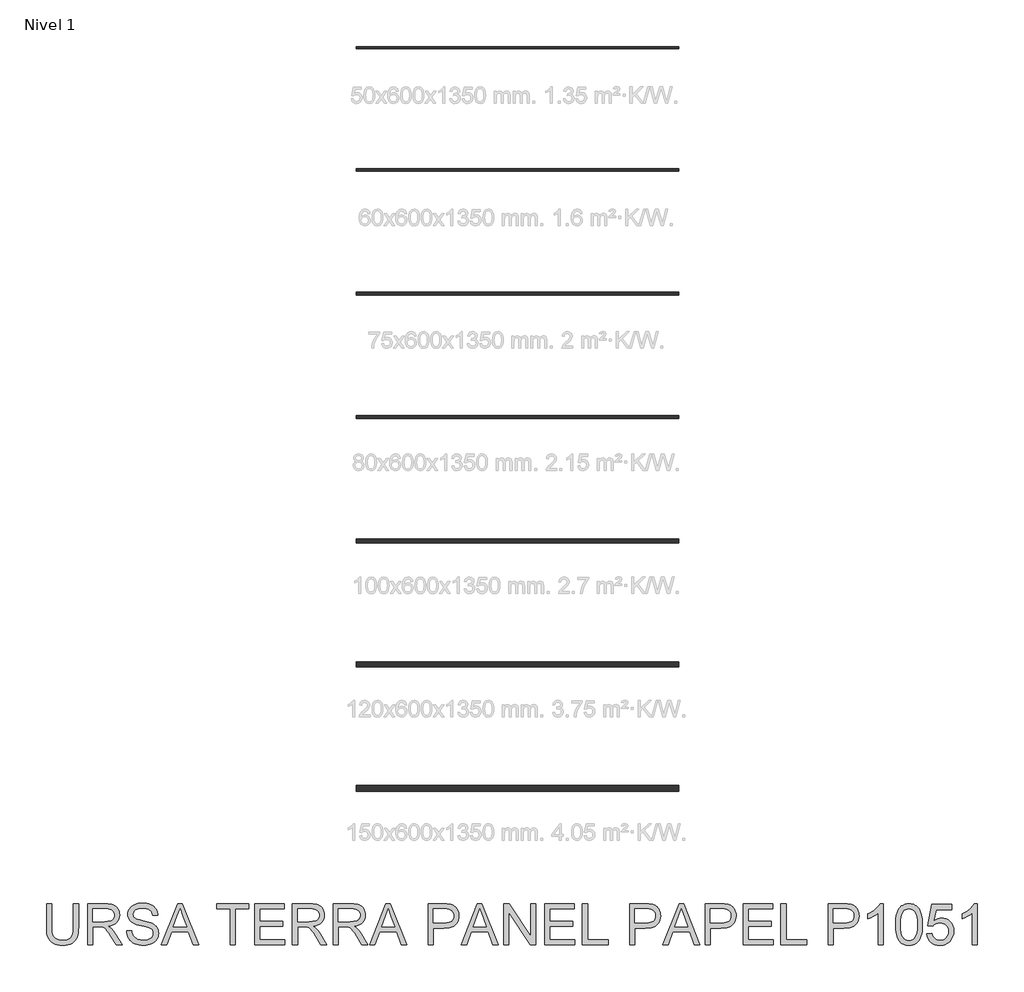
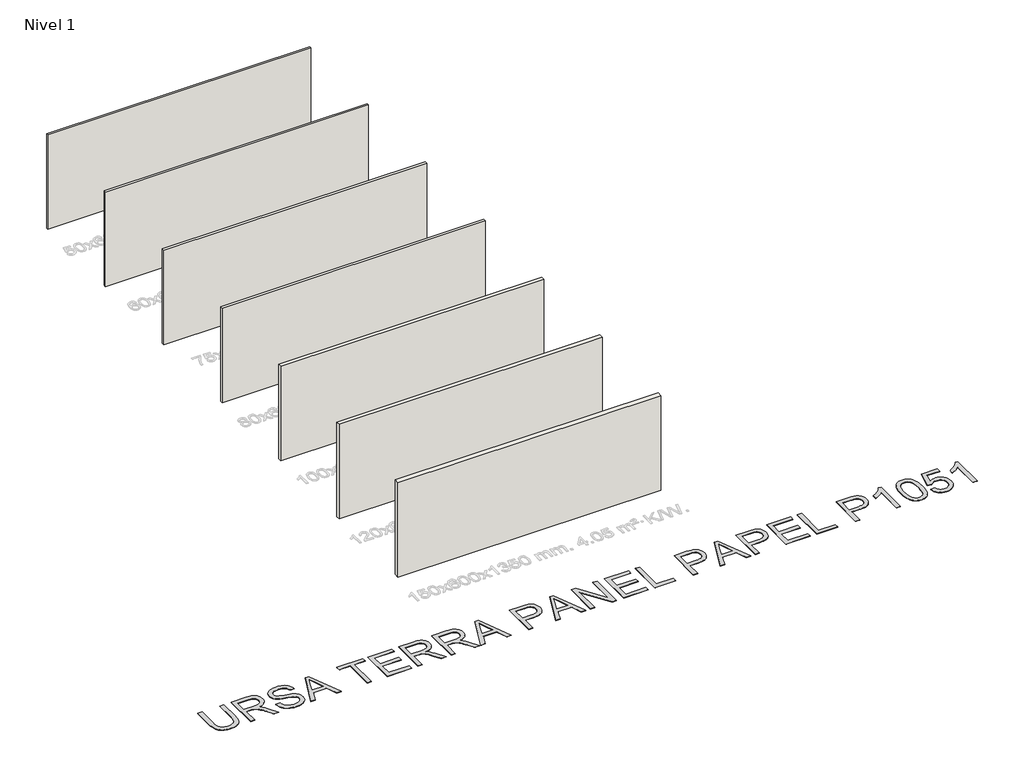
# One storey, part 1 of 8: 7 walls, 1 proxy.
"""IFC4 building model written with IfcOpenShell, lengths in millimetres."""

from ifc_helpers import new_model, si_unit, origin, origin_with_axes, place, context, project, spatial, polyline, outline, extrude, element, save

model = new_model("IFC4")

# Units and contexts
model_context = context("Model", 3, world=origin())
ifc_project = project(units=[si_unit("LENGTHUNIT", "METRE", prefix="MILLI")], contexts=[model_context])

# Site, building, storey
site = spatial("IfcSite", under=ifc_project)
building = spatial("IfcBuilding", under=site)
storey = spatial("IfcBuildingStorey", under=building, Name="Nivel 1", Elevation=0.0)

# Proxy
placement = place(None, origin())
element("IfcBuildingElementProxy", 1, Name="Texto de modelo 2", ObjectType="Texto de modelo 2", at=placement, inside=storey, context=model_context, shape_type="SweptSolid", body=[
    extrude(outline(polyline([(-7169.5130459, -17027.1799365), (-7043.9426582, -17027.1799365), (-7043.9426582, -17606.7167062), (-7046.0733081, -17678.4766879), (-7052.4652577, -17742.4345056), (-7063.1185072, -17798.5901593), (-7078.0330564, -17846.943649), (-7098.4964924, -17889.3267206), (-7125.7964021, -17927.5711196), (-7159.9327856, -17961.6768463), (-7200.9056428, -17991.6439005), (-7248.760959, -18016.0544037), (-7303.5447194, -18033.4904774), (-7365.2569241, -18043.9521217), (-7433.8975731, -18047.4393364), (-7500.844432, -18044.40431), (-7561.3993412, -18035.2992306), (-7615.5623008, -18020.1240983), (-7663.3333107, -17998.878913), (-7704.7200352, -17971.8779074), (-7739.7301384, -17939.435314), (-7768.3636203, -17901.5511327), (-7790.6204811, -17858.2253636), (-7807.3054624, -17807.9711502), (-7819.2233062, -17749.3016362), (-7826.3740125, -17682.2168215), (-7828.7575812, -17606.7167062), (-7828.7575812, -17027.1799365), (-7703.1871935, -17027.1799365), (-7703.1871935, -17602.3021222), (-7701.6390235, -17663.0103157), (-7696.9945133, -17715.1499243), (-7689.253663, -17758.7209481), (-7678.4164725, -17793.7233871), (-7663.8084916, -17822.68643), (-7644.75527, -17848.1392655), (-7621.2568075, -17870.0818937), (-7593.3131043, -17888.5143145), (-7561.4606549, -17903.106967), (-7526.2359539, -17913.5302902), (-7487.6390012, -17919.7842841), (-7445.6697969, -17921.8689487), (-7376.4619966, -17917.7456047), (-7317.9534309, -17905.3755726), (-7270.1441, -17884.7588525), (-7250.2516475, -17871.3579844), (-7233.0340037, -17855.8954443), (-7218.1462792, -17837.5013445), (-7205.2435846, -17815.3057975), (-7185.3932853, -17759.5103615), (-7173.4831057, -17688.5091365), (-7169.5130459, -17602.3021222), (-7169.5130459, -17027.1799365)])), origin_with_axes(), (0.0, 0.0, 1.0), 10.0),
    extrude(outline(polyline([(-6824.1944797, -18031.743038), (-6824.1944797, -17027.1799365), (-6391.3199987, -17027.1799365), (-6329.1862626, -17028.8737265), (-6274.9773178, -17033.9550965), (-6228.6931642, -17042.4240466), (-6190.333802, -17054.2805768), (-6157.6689465, -17070.4367277), (-6128.4683132, -17091.8045403), (-6102.7319019, -17118.3840144), (-6080.4597128, -17150.1751502), (-6062.4871445, -17185.4688291), (-6049.6495957, -17222.5559327), (-6041.9470664, -17261.4364611), (-6039.3795567, -17302.1104142), (-6043.6331923, -17353.705864), (-6056.394099, -17401.0706709), (-6077.6622768, -17444.2048348), (-6107.4377258, -17483.1083558), (-6146.1036563, -17516.5396321), (-6194.0432788, -17543.257062), (-6251.2565933, -17563.2606455), (-6317.7435997, -17576.5503826), (-6276.3568752, -17603.5897092), (-6246.3744926, -17630.2611539), (-6194.932327, -17691.2682514), (-6144.5938073, -17759.5103615), (-5977.0848722, -18031.743038), (-6123.0113969, -18031.743038), (-6253.7321325, -17823.5218287), (-6306.0326895, -17744.0593177), (-6348.155178, -17685.6887078), (-6383.2572517, -17645.4975998), (-6414.4965644, -17620.5735947), (-6444.0804082, -17605.9502854), (-6474.216075, -17596.661265), (-6547.05671, -17592.246681), (-6698.624092, -17592.246681), (-6698.624092, -18031.743038), (-6824.1944797, -18031.743038)]), holes=[polyline([(-6698.624092, -17466.6762934), (-6417.5622477, -17466.6762934), (-6336.8428066, -17462.2310526), (-6274.2108969, -17448.8953303), (-6249.0263087, -17438.6712765), (-6227.0606879, -17425.7800782), (-6208.3140346, -17410.2217355), (-6192.7863487, -17391.9962483), (-6180.6079218, -17372.0003291), (-6171.9090454, -17351.13069), (-6166.6897196, -17329.3873313), (-6164.9499444, -17306.7702528), (-6168.2685465, -17274.6572203), (-6178.224353, -17245.5179006), (-6194.8173639, -17219.3522937), (-6218.047579, -17196.1603996), (-6248.4514931, -17177.1684916), (-6286.5656006, -17163.602843), (-6332.3899016, -17155.4634539), (-6385.9243961, -17152.7503241), (-6698.624092, -17152.7503241), (-6698.624092, -17466.6762934)])]), origin_with_axes(), (0.0, 0.0, 1.0), 10.0),
    extrude(outline(polyline([(-5866.7202736, -17686.4244718), (-5741.1498859, -17686.4244718), (-5735.4017298, -17722.9750809), (-5726.7411744, -17756.1074531), (-5715.16822, -17785.8215884), (-5700.6828665, -17812.1174868), (-5682.5493498, -17835.5239788), (-5660.031906, -17856.5698946), (-5633.1305351, -17875.2552343), (-5601.8452371, -17891.5799978), (-5567.3256432, -17904.8314138), (-5530.7213847, -17914.296711), (-5492.0324615, -17919.9758893), (-5451.2588737, -17921.8689487), (-5381.299981, -17916.136121), (-5349.5854873, -17908.9700863), (-5320.0476288, -17898.9376377), (-5293.4145052, -17886.398993), (-5270.4142163, -17871.71437), (-5251.0467621, -17854.8837688), (-5235.3121426, -17835.9071892), (-5223.1337157, -17815.6047016), (-5214.4348393, -17794.7963762), (-5209.2155135, -17773.4822131), (-5207.4757383, -17751.6622123), (-5212.6873999, -17709.6316943), (-5228.3223846, -17673.3033473), (-5241.474166, -17657.1855174), (-5260.0828636, -17642.3092892), (-5284.1484774, -17628.6746628), (-5313.6710075, -17616.2816381), (-5379.9817372, -17596.5692945), (-5496.5083591, -17568.3343514), (-5616.5298601, -17536.6045293), (-5660.3308101, -17521.3144339), (-5693.3252266, -17506.4075488), (-5726.8561376, -17486.4039654), (-5755.8345089, -17464.1624331), (-5780.2603405, -17439.682952), (-5800.1336325, -17412.9655221), (-5815.5310268, -17384.2860549), (-5826.5291656, -17353.9204618), (-5833.1280489, -17321.868743), (-5835.3276767, -17288.1308984), (-5832.6068828, -17250.7372264), (-5824.444501, -17214.5851562), (-5810.8405314, -17179.6746877), (-5791.7949739, -17146.0058209), (-5767.5224265, -17114.9504491), (-5738.2374868, -17087.8804657), (-5703.940155, -17064.7958705), (-5664.6304309, -17045.6966635), (-5621.6342227, -17030.7284649), (-5576.2774384, -17020.0368944), (-5528.560078, -17013.6219521), (-5478.4821414, -17011.483638), (-5423.8516651, -17013.7215868), (-5372.5321268, -17020.4354332), (-5324.5235264, -17031.6251772), (-5279.825864, -17047.2908189), (-5239.266874, -17067.2944023), (-5203.674291, -17091.4979719), (-5173.0481149, -17119.9015277), (-5147.3883457, -17152.5050695), (-5126.8942529, -17188.3582356), (-5111.7651058, -17226.5106642), (-5102.0009046, -17266.9623552), (-5097.601649, -17309.7133088), (-5223.1720367, -17309.7133088), (-5231.5720089, -17269.6448281), (-5246.2259751, -17234.7880091), (-5267.1339351, -17205.1428516), (-5294.2958891, -17180.7093558), (-5328.2176748, -17161.6101489), (-5369.4051298, -17147.9678582), (-5417.8582542, -17139.7824838), (-5473.5770481, -17137.0540257), (-5531.0739383, -17139.751827), (-5580.201513, -17147.8452309), (-5620.9597724, -17161.3342374), (-5653.3487164, -17180.2188464), (-5678.0274669, -17202.9202312), (-5695.6551459, -17227.8595648), (-5706.2317532, -17255.0368472), (-5709.757289, -17284.4520784), (-5707.2587571, -17309.759294), (-5699.7631615, -17332.7059334), (-5687.270502, -17353.2919968), (-5669.7807789, -17371.5174839), (-5642.2509429, -17388.7772809), (-5598.9021811, -17406.2210188), (-5539.7344936, -17423.8486978), (-5464.7478802, -17441.6603177), (-5326.3016227, -17475.3215202), (-5277.5879152, -17490.5426378), (-5242.5471551, -17504.6907662), (-5204.0498372, -17526.1352208), (-5170.9634502, -17550.2468199), (-5143.2879943, -17577.0255635), (-5121.0234694, -17606.4714515), (-5103.9092924, -17638.4311999), (-5091.6848803, -17672.7515243), (-5084.350233, -17709.4324249), (-5081.9053506, -17748.4739017), (-5084.718115, -17787.7529689), (-5093.1564083, -17825.8824048), (-5107.2202304, -17862.8622095), (-5126.9095813, -17898.692383), (-5151.8795717, -17931.9857036), (-5181.7853123, -17961.3549495), (-5216.6268029, -17986.8001209), (-5256.4040436, -18008.3212176), (-5299.959739, -18025.4353946), (-5346.1365936, -18037.6598067), (-5394.9346074, -18044.994454), (-5446.3537805, -18047.4393364), (-5510.5875097, -18044.8028488), (-5569.379651, -18036.8933859), (-5622.7302045, -18023.7109477), (-5670.6391702, -18005.2555343), (-5713.3977879, -17981.4964888), (-5751.2972976, -17952.4031543), (-5784.3376993, -17917.9755309), (-5812.518993, -17878.2136186), (-5835.2203778, -17834.4050044), (-5851.8210528, -17787.8372751), (-5862.3210181, -17738.510431), (-5866.7202736, -17686.4244718)])), origin_with_axes(), (0.0, 0.0, 1.0), 10.0),
    extrude(outline(polyline([(-5010.5362435, -18031.743038), (-4609.5448688, -17027.1799365), (-4502.6138355, -17027.1799365), (-4101.6224608, -18031.743038), (-4234.3052337, -18031.743038), (-4349.3296708, -17717.8170687), (-4763.0742881, -17717.8170687), (-4877.8534706, -18031.743038), (-5010.5362435, -18031.743038)]), holes=[polyline([(-4716.9664114, -17592.246681), (-4395.1922929, -17592.246681), (-4485.6912637, -17345.275235), (-4556.0793521, -17152.7503241), (-4618.6192913, -17323.6928246), (-4716.9664114, -17592.246681)])]), origin_with_axes(), (0.0, 0.0, 1.0), 10.0),
    extrude(outline(polyline([(-3323.919923, -18031.743038), (-3323.919923, -17152.7503241), (-3653.5421906, -17152.7503241), (-3653.5421906, -17027.1799365), (-2868.7272676, -17027.1799365), (-2868.7272676, -17152.7503241), (-3198.3495353, -17152.7503241), (-3198.3495353, -18031.743038), (-3323.919923, -18031.743038)])), origin_with_axes(), (0.0, 0.0, 1.0), 10.0),
    extrude(outline(polyline([(-2727.4605814, -18031.743038), (-2727.4605814, -17027.1799365), (-2005.4308522, -17027.1799365), (-2005.4308522, -17152.7503241), (-2601.8901938, -17152.7503241), (-2601.8901938, -17450.9799949), (-2036.8234492, -17450.9799949), (-2036.8234492, -17576.5503826), (-2601.8901938, -17576.5503826), (-2601.8901938, -17906.1726503), (-1989.7345538, -17906.1726503), (-1989.7345538, -18031.743038), (-2727.4605814, -18031.743038)])), origin_with_axes(), (0.0, 0.0, 1.0), 10.0),
    extrude(outline(polyline([(-1801.3789722, -18031.743038), (-1801.3789722, -17027.1799365), (-1368.5044913, -17027.1799365), (-1306.3707551, -17028.8737265), (-1252.1618103, -17033.9550965), (-1205.8776568, -17042.4240466), (-1167.5182946, -17054.2805768), (-1134.8534391, -17070.4367277), (-1105.6528057, -17091.8045403), (-1079.9163945, -17118.3840144), (-1057.6442053, -17150.1751502), (-1039.671637, -17185.4688291), (-1026.8340882, -17222.5559327), (-1019.131559, -17261.4364611), (-1016.5640492, -17302.1104142), (-1020.8176848, -17353.705864), (-1033.5785915, -17401.0706709), (-1054.8467693, -17444.2048348), (-1084.6222183, -17483.1083558), (-1123.2881488, -17516.5396321), (-1171.2277713, -17543.257062), (-1228.4410858, -17563.2606455), (-1294.9280922, -17576.5503826), (-1253.5413678, -17603.5897092), (-1223.5589852, -17630.2611539), (-1172.1168195, -17691.2682514), (-1121.7782998, -17759.5103615), (-954.2693647, -18031.743038), (-1100.1958894, -18031.743038), (-1230.9166251, -17823.5218287), (-1283.217182, -17744.0593177), (-1325.3396705, -17685.6887078), (-1360.4417442, -17645.4975998), (-1391.681057, -17620.5735947), (-1421.2649007, -17605.9502854), (-1451.4005675, -17596.661265), (-1524.2412025, -17592.246681), (-1675.8085846, -17592.246681), (-1675.8085846, -18031.743038), (-1801.3789722, -18031.743038)]), holes=[polyline([(-1675.8085846, -17466.6762934), (-1394.7467402, -17466.6762934), (-1314.0272991, -17462.2310526), (-1251.3953895, -17448.8953303), (-1226.2108012, -17438.6712765), (-1204.2451804, -17425.7800782), (-1185.4985271, -17410.2217355), (-1169.9708412, -17391.9962483), (-1157.7924143, -17372.0003291), (-1149.093538, -17351.13069), (-1143.8742122, -17329.3873313), (-1142.1344369, -17306.7702528), (-1145.4530391, -17274.6572203), (-1155.4088455, -17245.5179006), (-1172.0018564, -17219.3522937), (-1195.2320715, -17196.1603996), (-1225.6359856, -17177.1684916), (-1263.7500931, -17163.602843), (-1309.5743942, -17155.4634539), (-1363.1088887, -17152.7503241), (-1675.8085846, -17152.7503241), (-1675.8085846, -17466.6762934)])]), origin_with_axes(), (0.0, 0.0, 1.0), 10.0),
    extrude(outline(polyline([(-796.8158708, -18031.743038), (-796.8158708, -17027.1799365), (-363.9413898, -17027.1799365), (-301.8076536, -17028.8737265), (-247.5987088, -17033.9550965), (-201.3145553, -17042.4240466), (-162.9551931, -17054.2805768), (-130.2903376, -17070.4367277), (-101.0897042, -17091.8045403), (-75.353293, -17118.3840144), (-53.0811038, -17150.1751502), (-35.1085355, -17185.4688291), (-22.2709867, -17222.5559327), (-14.5684575, -17261.4364611), (-12.0009477, -17302.1104142), (-16.2545833, -17353.705864), (-29.01549, -17401.0706709), (-50.2836678, -17444.2048348), (-80.0591168, -17483.1083558), (-118.7250473, -17516.5396321), (-166.6646698, -17543.257062), (-223.8779843, -17563.2606455), (-290.3649907, -17576.5503826), (-248.9782663, -17603.5897092), (-218.9958837, -17630.2611539), (-167.553718, -17691.2682514), (-117.2151983, -17759.5103615), (50.2937368, -18031.743038), (-95.6327879, -18031.743038), (-226.3535236, -17823.5218287), (-278.6540805, -17744.0593177), (-320.776569, -17685.6887078), (-355.8786427, -17645.4975998), (-387.1179555, -17620.5735947), (-416.7017992, -17605.9502854), (-446.837466, -17596.661265), (-519.6781011, -17592.246681), (-671.2454831, -17592.246681), (-671.2454831, -18031.743038), (-796.8158708, -18031.743038)]), holes=[polyline([(-671.2454831, -17466.6762934), (-390.1836387, -17466.6762934), (-309.4641976, -17462.2310526), (-246.832288, -17448.8953303), (-221.6476997, -17438.6712765), (-199.6820789, -17425.7800782), (-180.9354256, -17410.2217355), (-165.4077397, -17391.9962483), (-153.2293128, -17372.0003291), (-144.5304365, -17351.13069), (-139.3111107, -17329.3873313), (-137.5713354, -17306.7702528), (-140.8899376, -17274.6572203), (-150.8457441, -17245.5179006), (-167.4387549, -17219.3522937), (-190.66897, -17196.1603996), (-221.0728841, -17177.1684916), (-259.1869916, -17163.602843), (-305.0112927, -17155.4634539), (-358.5457872, -17152.7503241), (-671.2454831, -17152.7503241), (-671.2454831, -17466.6762934)])]), origin_with_axes(), (0.0, 0.0, 1.0), 10.0),
    extrude(outline(polyline([(90.7607563, -18031.743038), (491.752131, -17027.1799365), (598.6831643, -17027.1799365), (999.674539, -18031.743038), (866.9917661, -18031.743038), (751.9673289, -17717.8170687), (338.2227117, -17717.8170687), (223.4435292, -18031.743038), (90.7607563, -18031.743038)]), holes=[polyline([(384.3305884, -17592.246681), (706.1047069, -17592.246681), (615.6057361, -17345.275235), (545.2176477, -17152.7503241), (482.6777085, -17323.6928246), (384.3305884, -17592.246681)])]), origin_with_axes(), (0.0, 0.0, 1.0), 10.0),
    extrude(outline(polyline([(1526.2363015, -18031.743038), (1526.2363015, -17027.1799365), (1898.5328806, -17027.1799365), (1985.2304041, -17029.5711694), (2048.6287346, -17036.7448683), (2083.5698599, -17044.278785), (2115.5526009, -17054.6178019), (2144.5769575, -17067.761919), (2170.6429297, -17083.7111364), (2194.026429, -17102.7950149), (2215.0033669, -17125.3431155), (2233.5737435, -17151.3554382), (2249.7375586, -17180.8319831), (2262.8280263, -17212.7993956), (2272.1783603, -17246.2843214), (2277.7885608, -17281.2867604), (2279.6586276, -17317.8067126), (2274.6079144, -17379.4729321), (2259.4557747, -17436.2034014), (2234.2022086, -17487.9981207), (2198.847216, -17534.8570898), (2176.6114318, -17555.6654152), (2150.3097852, -17573.6992971), (2119.9422762, -17588.9587357), (2085.5089046, -17601.4437309), (2047.0096706, -17611.1542828), (2004.4445741, -17618.0903912), (1907.1167938, -17623.639278), (1651.8066891, -17623.639278), (1651.8066891, -18031.743038), (1526.2363015, -18031.743038)]), holes=[polyline([(1651.8066891, -17498.0688903), (1914.4744337, -17498.0688903), (1974.8683946, -17495.187148), (2025.8200509, -17486.5419211), (2067.3294027, -17472.1332096), (2099.3964499, -17451.9610136), (2123.324108, -17426.5618275), (2140.4152924, -17396.4721459), (2150.670003, -17361.691969), (2154.0882399, -17322.2212966), (2152.0725531, -17292.9133643), (2146.0254928, -17265.812724), (2135.947059, -17240.9193757), (2121.8372517, -17218.2333193), (2104.4471632, -17198.4903189), (2084.527886, -17182.4261384), (2062.0794201, -17170.0407779), (2037.1017654, -17161.3342374), (1988.6639694, -17154.8963024), (1911.5313777, -17152.7503241), (1651.8066891, -17152.7503241), (1651.8066891, -17498.0688903)])]), origin_with_axes(), (0.0, 0.0, 1.0), 10.0),
    extrude(outline(polyline([(2335.3314362, -18031.743038), (2736.3228109, -17027.1799365), (2843.2538442, -17027.1799365), (3244.2452189, -18031.743038), (3111.562446, -18031.743038), (2996.5380088, -17717.8170687), (2582.7933916, -17717.8170687), (2468.0142091, -18031.743038), (2335.3314362, -18031.743038)]), holes=[polyline([(2628.9012683, -17592.246681), (2950.6753868, -17592.246681), (2860.176416, -17345.275235), (2789.7883276, -17152.7503241), (2727.2483884, -17323.6928246), (2628.9012683, -17592.246681)])]), origin_with_axes(), (0.0, 0.0, 1.0), 10.0),
    extrude(outline(polyline([(3378.3995198, -18031.743038), (3378.3995198, -17027.1799365), (3512.7990754, -17027.1799365), (4037.6440552, -17823.0313194), (4037.6440552, -17027.1799365), (4163.2144429, -17027.1799365), (4163.2144429, -18031.743038), (4028.8148873, -18031.743038), (3503.9699075, -17235.6464004), (3503.9699075, -18031.743038), (3378.3995198, -18031.743038)])), origin_with_axes(), (0.0, 0.0, 1.0), 10.0),
    extrude(outline(polyline([(4382.9626213, -18031.743038), (4382.9626213, -17027.1799365), (5104.9923505, -17027.1799365), (5104.9923505, -17152.7503241), (4508.533009, -17152.7503241), (4508.533009, -17450.9799949), (5073.5997536, -17450.9799949), (5073.5997536, -17576.5503826), (4508.533009, -17576.5503826), (4508.533009, -17906.1726503), (5120.688649, -17906.1726503), (5120.688649, -18031.743038), (4382.9626213, -18031.743038)])), origin_with_axes(), (0.0, 0.0, 1.0), 10.0),
    extrude(outline(polyline([(5309.0442305, -18031.743038), (5309.0442305, -17027.1799365), (5434.6146182, -17027.1799365), (5434.6146182, -17906.1726503), (5936.896169, -17906.1726503), (5936.896169, -18031.743038), (5309.0442305, -18031.743038)])), origin_with_axes(), (0.0, 0.0, 1.0), 10.0),
    extrude(outline(polyline([(6470.5703166, -18031.743038), (6470.5703166, -17027.1799365), (6842.8668958, -17027.1799365), (6929.5644193, -17029.5711694), (6992.9627498, -17036.7448683), (7027.9038751, -17044.278785), (7059.8866161, -17054.6178019), (7088.9109727, -17067.761919), (7114.9769449, -17083.7111364), (7138.3604442, -17102.7950149), (7159.3373821, -17125.3431155), (7177.9077587, -17151.3554382), (7194.0715738, -17180.8319831), (7207.1620415, -17212.7993956), (7216.5123755, -17246.2843214), (7222.1225759, -17281.2867604), (7223.9926428, -17317.8067126), (7218.9419295, -17379.4729321), (7203.7897899, -17436.2034014), (7178.5362237, -17487.9981207), (7143.1812312, -17534.8570898), (7120.945447, -17555.6654152), (7094.6438004, -17573.6992971), (7064.2762913, -17588.9587357), (7029.8429198, -17601.4437309), (6991.3436858, -17611.1542828), (6948.7785893, -17618.0903912), (6851.450809, -17623.639278), (6596.1407043, -17623.639278), (6596.1407043, -18031.743038), (6470.5703166, -18031.743038)]), holes=[polyline([(6596.1407043, -17498.0688903), (6858.8084489, -17498.0688903), (6919.2024098, -17495.187148), (6970.1540661, -17486.5419211), (7011.6634179, -17472.1332096), (7043.7304651, -17451.9610136), (7067.6581232, -17426.5618275), (7084.7493076, -17396.4721459), (7095.0040182, -17361.691969), (7098.4222551, -17322.2212966), (7096.4065683, -17292.9133643), (7090.359508, -17265.812724), (7080.2810742, -17240.9193757), (7066.1712668, -17218.2333193), (7048.7811783, -17198.4903189), (7028.8619011, -17182.4261384), (7006.4134352, -17170.0407779), (6981.4357806, -17161.3342374), (6932.9979846, -17154.8963024), (6855.8653929, -17152.7503241), (6596.1407043, -17152.7503241), (6596.1407043, -17498.0688903)])]), origin_with_axes(), (0.0, 0.0, 1.0), 10.0),
    extrude(outline(polyline([(7279.6654514, -18031.743038), (7680.6568261, -17027.1799365), (7787.5878594, -17027.1799365), (8188.5792341, -18031.743038), (8055.8964612, -18031.743038), (7940.872024, -17717.8170687), (7527.1274068, -17717.8170687), (7412.3482243, -18031.743038), (7279.6654514, -18031.743038)]), holes=[polyline([(7573.2352835, -17592.246681), (7895.009402, -17592.246681), (7804.5104311, -17345.275235), (7734.1223427, -17152.7503241), (7671.5824036, -17323.6928246), (7573.2352835, -17592.246681)])]), origin_with_axes(), (0.0, 0.0, 1.0), 10.0),
    extrude(outline(polyline([(8322.733535, -18031.743038), (8322.733535, -17027.1799365), (8695.0301141, -17027.1799365), (8781.7276377, -17029.5711694), (8845.1259682, -17036.7448683), (8880.0670935, -17044.278785), (8912.0498345, -17054.6178019), (8941.074191, -17067.761919), (8967.1401632, -17083.7111364), (8990.5236626, -17102.7950149), (9011.5006005, -17125.3431155), (9030.070977, -17151.3554382), (9046.2347922, -17180.8319831), (9059.3252599, -17212.7993956), (9068.6755939, -17246.2843214), (9074.2857943, -17281.2867604), (9076.1558611, -17317.8067126), (9071.1051479, -17379.4729321), (9055.9530082, -17436.2034014), (9030.6994421, -17487.9981207), (8995.3444495, -17534.8570898), (8973.1086654, -17555.6654152), (8946.8070188, -17573.6992971), (8916.4395097, -17588.9587357), (8882.0061382, -17601.4437309), (8843.5069042, -17611.1542828), (8800.9418077, -17618.0903912), (8703.6140274, -17623.639278), (8448.3039227, -17623.639278), (8448.3039227, -18031.743038), (8322.733535, -18031.743038)]), holes=[polyline([(8448.3039227, -17498.0688903), (8710.9716673, -17498.0688903), (8771.3656281, -17495.187148), (8822.3172845, -17486.5419211), (8863.8266363, -17472.1332096), (8895.8936835, -17451.9610136), (8919.8213416, -17426.5618275), (8936.912526, -17396.4721459), (8947.1672366, -17361.691969), (8950.5854735, -17322.2212966), (8948.5697867, -17292.9133643), (8942.5227264, -17265.812724), (8932.4442926, -17240.9193757), (8918.3344852, -17218.2333193), (8900.9443967, -17198.4903189), (8881.0251195, -17182.4261384), (8858.5766536, -17170.0407779), (8833.598999, -17161.3342374), (8785.161203, -17154.8963024), (8708.0286113, -17152.7503241), (8448.3039227, -17152.7503241), (8448.3039227, -17498.0688903)])]), origin_with_axes(), (0.0, 0.0, 1.0), 10.0),
    extrude(outline(polyline([(9248.8151442, -18031.743038), (9248.8151442, -17027.1799365), (9970.8448734, -17027.1799365), (9970.8448734, -17152.7503241), (9374.3855319, -17152.7503241), (9374.3855319, -17450.9799949), (9939.4522765, -17450.9799949), (9939.4522765, -17576.5503826), (9374.3855319, -17576.5503826), (9374.3855319, -17906.1726503), (9986.5411719, -17906.1726503), (9986.5411719, -18031.743038), (9248.8151442, -18031.743038)])), origin_with_axes(), (0.0, 0.0, 1.0), 10.0),
    extrude(outline(polyline([(10174.8967534, -18031.743038), (10174.8967534, -17027.1799365), (10300.4671411, -17027.1799365), (10300.4671411, -17906.1726503), (10802.7486918, -17906.1726503), (10802.7486918, -18031.743038), (10174.8967534, -18031.743038)])), origin_with_axes(), (0.0, 0.0, 1.0), 10.0),
    extrude(outline(polyline([(11336.4228395, -18031.743038), (11336.4228395, -17027.1799365), (11708.7194186, -17027.1799365), (11795.4169422, -17029.5711694), (11858.8152727, -17036.7448683), (11893.756398, -17044.278785), (11925.7391389, -17054.6178019), (11954.7634955, -17067.761919), (11980.8294677, -17083.7111364), (12004.212967, -17102.7950149), (12025.189905, -17125.3431155), (12043.7602815, -17151.3554382), (12059.9240967, -17180.8319831), (12073.0145644, -17212.7993956), (12082.3648984, -17246.2843214), (12087.9750988, -17281.2867604), (12089.8451656, -17317.8067126), (12084.7944524, -17379.4729321), (12069.6423127, -17436.2034014), (12044.3887466, -17487.9981207), (12009.033754, -17534.8570898), (11986.7979699, -17555.6654152), (11960.4963233, -17573.6992971), (11930.1288142, -17588.9587357), (11895.6954427, -17601.4437309), (11857.1962087, -17611.1542828), (11814.6311122, -17618.0903912), (11717.3033318, -17623.639278), (11461.9932272, -17623.639278), (11461.9932272, -18031.743038), (11336.4228395, -18031.743038)]), holes=[polyline([(11461.9932272, -17498.0688903), (11724.6609718, -17498.0688903), (11785.0549326, -17495.187148), (11836.006589, -17486.5419211), (11877.5159407, -17472.1332096), (11909.582988, -17451.9610136), (11933.5106461, -17426.5618275), (11950.6018305, -17396.4721459), (11960.8565411, -17361.691969), (11964.2747779, -17322.2212966), (11962.2590912, -17292.9133643), (11956.2120309, -17265.812724), (11946.1335971, -17240.9193757), (11932.0237897, -17218.2333193), (11914.6337012, -17198.4903189), (11894.714424, -17182.4261384), (11872.2659581, -17170.0407779), (11847.2883035, -17161.3342374), (11798.8505074, -17154.8963024), (11721.7179158, -17152.7503241), (11461.9932272, -17152.7503241), (11461.9932272, -17498.0688903)])]), origin_with_axes(), (0.0, 0.0, 1.0), 10.0),
    extrude(outline(polyline([(12686.3045071, -18031.743038), (12560.7341195, -18031.743038), (12560.7341195, -17248.8901522), (12508.3109351, -17291.2885522), (12441.7856077, -17333.6256384), (12371.9493423, -17370.6284358), (12309.5933441, -17397.0239689), (12309.5933441, -17278.3207118), (12360.5526646, -17252.7682416), (12408.2163756, -17224.6712542), (12452.5844771, -17194.0297497), (12493.656969, -17160.843728), (12530.2075781, -17126.6460309), (12561.010031, -17092.9694999), (12586.0643277, -17059.8141351), (12605.3704682, -17027.1799365), (12686.3045071, -17027.1799365), (12686.3045071, -18031.743038)])), origin_with_axes(), (0.0, 0.0, 1.0), 10.0),
    extrude(outline(polyline([(12984.5341779, -17537.5548911), (12986.8411046, -17453.0876522), (12993.7618846, -17376.7598024), (13005.296518, -17308.5713417), (13021.4450047, -17248.5222702), (13042.138367, -17196.1220785), (13067.3076268, -17150.8802573), (13096.9527843, -17112.7968066), (13131.0738393, -17081.8717264), (13169.7857551, -17057.9440683), (13213.2034947, -17040.8528839), (13261.3270582, -17030.5981733), (13314.1564456, -17027.1799365), (13353.8570442, -17029.2032874), (13391.5342919, -17035.2733403), (13427.1881886, -17045.3900952), (13460.8187343, -17059.553552), (13491.613523, -17077.5261203), (13518.7601486, -17099.0702097), (13542.258611, -17124.1858201), (13562.1089103, -17152.8729515), (13594.8504079, -17220.5019249), (13620.9700296, -17301.4972775), (13630.9488287, -17349.1303317), (13638.0765423, -17404.350952), (13643.7787133, -17537.5548911), (13641.4947792, -17621.4856355), (13634.642977, -17697.4302748), (13623.2233068, -17765.3888092), (13607.2357684, -17825.3612387), (13586.7033545, -17877.784423), (13561.6490578, -17923.095222), (13532.0728783, -17961.2936359), (13497.9748158, -17992.3796645), (13459.2169148, -18016.4682709), (13415.6612194, -18033.6744184), (13367.3077297, -18043.9981069), (13314.1564456, -18047.4393364), (13244.9946305, -18041.461254), (13213.3567789, -18033.988651), (13183.6809646, -18023.5270067), (13155.9671877, -18010.0763213), (13130.215448, -17993.6365946), (13106.4257456, -17974.2078267), (13084.5980806, -17951.7900177), (13061.1456034, -17916.2932372), (13040.8201232, -17876.1442824), (13023.6216399, -17831.3431532), (13009.5501536, -17781.8898496), (12998.6056642, -17727.7843715), (12990.7881718, -17669.0267191), (12986.0976764, -17605.6168923), (12984.5341779, -17537.5548911)]), holes=[polyline([(13110.1045656, -17537.3096364), (13113.7833855, -17646.4709543), (13124.8198454, -17734.831611), (13143.2139452, -17802.3916066), (13155.17011, -17828.3713564), (13168.9656848, -17849.150941), (13200.1130271, -17880.9650694), (13234.6939346, -17903.6894468), (13272.7084075, -17917.3240732), (13314.1564456, -17921.8689487), (13355.6044837, -17917.3087448), (13393.6189565, -17903.6281331), (13428.1998641, -17880.8271136), (13459.3472063, -17848.9056863), (13473.1427812, -17828.0762844), (13485.098946, -17802.0697098), (13503.4930458, -17734.5250427), (13514.5295056, -17646.2716849), (13518.2083256, -17537.3096364), (13514.6521329, -17431.0377251), (13503.9835551, -17344.2329026), (13486.202592, -17276.8951691), (13474.644966, -17250.5264607), (13461.3092436, -17229.0245245), (13430.6830676, -17195.6545618), (13395.7036212, -17171.8188742), (13356.3709045, -17157.5174617), (13312.6849176, -17152.7503241), (13271.4514773, -17156.9503103), (13234.080798, -17169.5502686), (13200.5728796, -17190.5501991), (13170.9277221, -17219.9501019), (13156.6722948, -17243.7398043), (13144.3175911, -17272.0667179), (13125.3103547, -17342.332179), (13113.9060129, -17430.7464852), (13110.1045656, -17537.3096364)])]), origin_with_axes(), (0.0, 0.0, 1.0), 10.0),
    extrude(outline(polyline([(13753.6528025, -17764.9059641), (13879.2231902, -17749.2096657), (13888.604181, -17789.5770504), (13902.2771285, -17824.5948178), (13920.2420326, -17854.2629679), (13942.4988933, -17878.5815006), (13969.0017254, -17897.5197592), (13999.7045436, -17911.0470867), (14034.6073479, -17919.1634832), (14073.7101383, -17921.8689487), (14121.5347977, -17918.1058225), (14163.7185998, -17906.8164438), (14200.2615446, -17888.0008125), (14231.1636322, -17861.6589288), (14255.7350838, -17829.0937081), (14273.2861207, -17791.6080656), (14283.8167428, -17749.2020014), (14287.3269502, -17701.8755156), (14284.0390048, -17657.1471964), (14274.1751688, -17617.385284), (14257.7354422, -17582.5897787), (14234.7198248, -17552.7606802), (14205.0516748, -17528.8330221), (14168.6543499, -17511.7418378), (14125.5278501, -17501.4871272), (14075.6721756, -17498.0688903), (14014.7570486, -17503.5258065), (13988.6450911, -17510.3469519), (13965.4302044, -17519.8965553), (13926.0361741, -17544.9738447), (13894.9194886, -17576.5503826), (13769.3491009, -17560.8540841), (13879.2231902, -17042.8762349), (14365.8084425, -17042.8762349), (14365.8084425, -17168.4466226), (13980.7586208, -17168.4466226), (13927.0478495, -17445.093883), (13971.3623015, -17413.3334041), (14016.7497427, -17390.6473477), (14063.210173, -17377.0357139), (14110.7435925, -17372.4985026), (14171.89631, -17378.1240314), (14228.0672921, -17395.000618), (14279.2565389, -17423.1282622), (14325.4640503, -17462.5069641), (14363.7161136, -17510.7301623), (14391.039016, -17565.3912954), (14407.4327574, -17626.4903634), (14412.8973378, -17694.0273664), (14407.9769162, -17759.0811659), (14393.2156511, -17819.5977541), (14368.6135427, -17875.577131), (14334.1705909, -17927.0192967), (14309.1699436, -17955.2427435), (14281.9926612, -17979.703064), (14252.6387437, -18000.4002584), (14221.108191, -18017.3343265), (14187.4010032, -18030.5052683), (14151.5171803, -18039.9130839), (14113.4567222, -18045.5577733), (14073.219629, -18047.4393364), (14008.4187484, -18042.603221), (13949.8871901, -18028.0948748), (13897.6249541, -18003.9142979), (13851.6320405, -17970.0614901), (13813.3646488, -17928.2225773), (13784.2789786, -17880.0836854), (13764.3750298, -17825.6448144), (13753.6528025, -17764.9059641)])), origin_with_axes(), (0.0, 0.0, 1.0), 10.0),
    extrude(outline(polyline([(14993.6603809, -18031.743038), (14868.0899932, -18031.743038), (14868.0899932, -17248.8901522), (14815.6668089, -17291.2885522), (14749.1414814, -17333.6256384), (14679.305216, -17370.6284358), (14616.9492178, -17397.0239689), (14616.9492178, -17278.3207118), (14667.9085384, -17252.7682416), (14715.5722494, -17224.6712542), (14759.9403508, -17194.0297497), (14801.0128428, -17160.843728), (14837.5634518, -17126.6460309), (14868.3659047, -17092.9694999), (14893.4202014, -17059.8141351), (14912.726342, -17027.1799365), (14993.6603809, -17027.1799365), (14993.6603809, -18031.743038)])), origin_with_axes(), (0.0, 0.0, 1.0), 10.0),
])

# Walls
element("IfcWall", 2, at=placement, inside=storey, context=model_context, shape_type="SweptSolid", body=[
    extrude(outline(polyline([(7668.7582768, 940.3831431), (-231.2417232, 940.3831431), (-231.2417232, 1000.3831431), (7668.7582768, 1000.3831431), (7668.7582768, 940.3831431)])), origin_with_axes(), (0.0, 0.0, 1.0), 3000.0),
])
element("IfcWall", 3, at=placement, inside=storey, context=model_context, shape_type="SweptSolid", body=[
    extrude(outline(polyline([(7668.7582768, -2099.6168569), (-231.2417232, -2099.6168569), (-231.2417232, -2024.6168569), (7668.7582768, -2024.6168569), (7668.7582768, -2099.6168569)])), origin_with_axes(), (0.0, 0.0, 1.0), 3000.0),
])
element("IfcWall", 4, at=placement, inside=storey, context=model_context, shape_type="SweptSolid", body=[
    extrude(outline(polyline([(7668.7582768, -5129.6168569), (-231.2417232, -5129.6168569), (-231.2417232, -5049.6168569), (7668.7582768, -5049.6168569), (7668.7582768, -5129.6168569)])), origin_with_axes(), (0.0, 0.0, 1.0), 3000.0),
])
element("IfcWall", 5, at=placement, inside=storey, context=model_context, shape_type="SweptSolid", body=[
    extrude(outline(polyline([(7668.7582768, -8174.6168569), (-231.2417232, -8174.6168569), (-231.2417232, -8074.6168569), (7668.7582768, -8074.6168569), (7668.7582768, -8174.6168569)])), origin_with_axes(), (0.0, 0.0, 1.0), 3000.0),
])
element("IfcWall", 6, at=placement, inside=storey, context=model_context, shape_type="SweptSolid", body=[
    extrude(outline(polyline([(7668.7582768, -11219.6168569), (-231.2417232, -11219.6168569), (-231.2417232, -11099.6168569), (7668.7582768, -11099.6168569), (7668.7582768, -11219.6168569)])), origin_with_axes(), (0.0, 0.0, 1.0), 3000.0),
])
element("IfcWall", 7, at=placement, inside=storey, context=model_context, shape_type="SweptSolid", body=[
    extrude(outline(polyline([(7668.7582768, -14274.6168569), (-231.2417232, -14274.6168569), (-231.2417232, -14124.6168569), (7668.7582768, -14124.6168569), (7668.7582768, -14274.6168569)])), origin_with_axes(), (0.0, 0.0, 1.0), 3000.0),
])
element("IfcWall", 8, at=placement, inside=storey, context=model_context, shape_type="SweptSolid", body=[
    extrude(outline(polyline([(7668.7582768, 3950.3831431), (-231.2417232, 3950.3831431), (-231.2417232, 4000.3831431), (7668.7582768, 4000.3831431), (7668.7582768, 3950.3831431)])), origin_with_axes(), (0.0, 0.0, 1.0), 3000.0),
])

save(model, "model.ifc")
